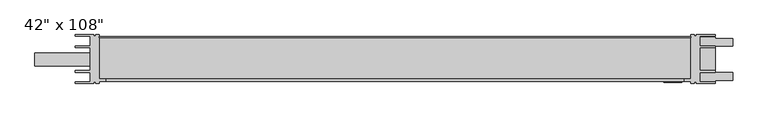
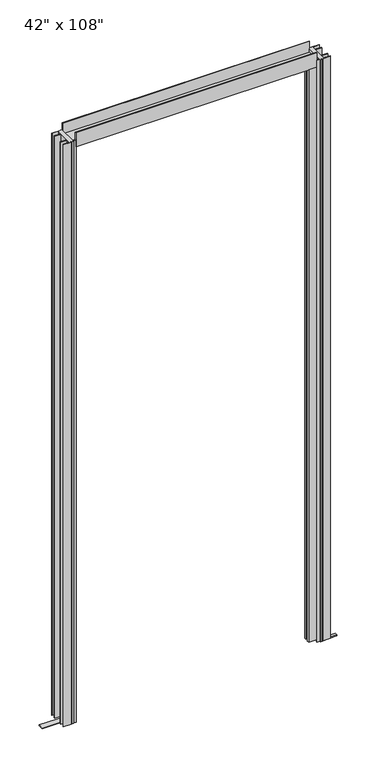
"""IFC4 building model written with IfcOpenShell, lengths in millimetres: furniture geometry."""

from ifc_helpers import new_model, si_unit, point, frame, frame_2d, origin, origin_with_axes, place, context, project, spatial, polyline, circle_curve, trimmed, segment, composite_curve, outline, extrude, source, transform, mapped, element, save


def furniture_7130e7a2(model_context):
    return source(origin(), model_context, "Body", "SweptSolid", [
        extrude(outline(polyline([(481.9042271, 37.1322797), (454.0718088, 37.1322797), (454.0718088, 19.7322791), (481.9042271, 19.7322791), (481.9042271, 16.432279), (454.0718088, 16.432279), (454.0718088, -25.4677223), (481.9042271, -25.4677223), (481.9042271, -28.7677224), (454.0718088, -28.7677224), (454.0718088, -46.167723), (481.9042271, -46.167723), (481.9042271, -48.9677216), (447.8322026, -48.9677216), (447.8322026, -46.4654448), (443.8044449, -46.4654448), (443.8044449, -48.9677216), (437.4542271, -48.9677216), (437.4542271, -45.422332), (424.7542271, -45.422332), (424.7542271, -40.5267189), (437.4542271, -40.5267189), (437.4542271, 39.9322784), (443.8044449, 39.9322784), (443.8044449, 37.4300016), (447.8322026, 37.4300016), (447.8322026, 39.9322784), (481.9042271, 39.9322784), (481.9042271, 37.1322797)])), frame((0.0, 0.0, 3.2003621), z_axis=(0.0, 0.0, 1.0), x_axis=(1.0, 0.0, 0.0)), (0.0, 0.0, 1.0), 2676.4996379),
        extrude(outline(polyline([(-681.7332729, 37.1322797), (-681.7332729, 39.9322784), (-647.6328776, 39.9322784), (-647.6328776, 37.4197133), (-643.6332729, 37.4197133), (-643.6332729, 39.9322784), (-637.2832729, 39.9322784), (-637.2832729, -40.5267189), (-624.5832729, -40.5267189), (-624.5832729, -45.422332), (-637.2832729, -45.422332), (-637.2832729, -48.9677216), (-643.6332729, -48.9677216), (-643.6332729, -46.4551566), (-647.6328776, -46.4551566), (-647.6328776, -48.9677216), (-681.7332729, -48.9677216), (-681.7332729, -46.167723), (-653.9008547, -46.167723), (-653.9008547, -28.7677224), (-681.7332729, -28.7677224), (-681.7332729, -25.4677223), (-653.9008547, -25.4677223), (-653.9008547, 16.432279), (-681.7332729, 16.432279), (-681.7332729, 19.7322791), (-653.9008547, 19.7322791), (-653.9008547, 37.1322797), (-681.7332729, 37.1322797)])), frame((0.0, 0.0, 3.2004), z_axis=(0.0, 0.0, 1.0), x_axis=(1.0, 0.0, 0.0)), (0.0, 0.0, 1.0), 2676.4996),
        extrude(outline(polyline([(-40.0359751, 2660.65), (-40.0359751, 2663.8751907), (34.4141317, 2663.8751907), (34.4141317, 2712.7974571), (36.603763, 2712.7974571), (36.603763, 2660.65), (-40.0359751, 2660.65)])), frame((-637.2832729, 0.0, 0.0), z_axis=(1.0, 0.0, 0.0), x_axis=(0.0, 1.0, 0.0)), (0.0, 0.0, 1.0), 1074.7375),
        extrude(outline(polyline([(424.7542271, -40.5267189), (424.7542271, -45.4859332), (-624.5832729, -45.4859332), (-624.5832729, -40.5267189), (424.7542271, -40.5267189)])), frame((0.0, 0.0, 2647.994021), z_axis=(0.0, 0.0, 1.0), x_axis=(1.0, 0.0, 0.0)), (0.0, 0.0, 1.0), 64.7060965),
        extrude(outline(polyline([(-754.5995229, 7.3885284), (-637.9182729, 7.3885284), (-637.9182729, -16.4239716), (-754.5995229, -16.4239716), (-754.5995229, 7.3885284)])), origin_with_axes(), (0.0, 0.0, 1.0), 3.2003621),
        extrude(outline(composite_curve([segment(polyline([(513.6542271, 33.4322875), (513.6542271, 19.43227), (481.9042271, 19.43227), (481.9042271, -28.4677132), (513.6542271, -28.4677132), (513.6542271, -42.4677308), (481.9042271, -42.4677308), (481.9042271, -44.9677235), (441.4542009, -44.9677235), (441.4542009, -18.8973771), (418.219844, -18.8973771)]), True, "CONTINUOUS"), segment(trimmed(circle_curve(frame_2d((418.219844, -4.5177216)), 14.3796554), [point((418.219844, -18.8973771))], [point((418.219844, 9.8619338))], False, "CARTESIAN"), True, "CONTINUOUS"), segment(polyline([(418.219844, 9.8619338), (441.4542009, 9.8619338), (441.4542009, 35.9322803), (481.9042271, 35.9322803), (481.9042271, 33.4322875), (513.6542271, 33.4322875)]), True, "CONTINUOUS")], self_intersect=False)), origin_with_axes(), (0.0, 0.0, 1.0), 3.2003621),
        extrude(outline(composite_curve([segment(polyline([(434.0592478, -24.6677272), (388.5592271, -24.6677272), (388.5592271, -15.0999373), (408.416844, 4.7576797)]), True, "CONTINUOUS"), segment(trimmed(circle_curve(frame_2d((419.0539752, -5.8794515)), 15.0431751), [point((408.416844, 4.7576797))], [point((434.0592478, -4.8122531))], False, "CARTESIAN"), True, "CONTINUOUS"), segment(polyline([(434.0592478, -4.8122531), (434.0592478, -24.6677272)]), True, "CONTINUOUS")], self_intersect=False)), frame((0.0, 0.0, 15.875), z_axis=(0.0, 0.0, 1.0), x_axis=(1.0, 0.0, 0.0)), (0.0, 0.0, 1.0), 2638.425),
        extrude(outline(polyline([(388.5592271, -46.9533474), (388.5592271, -37.4947432), (421.5397724, -37.4947432), (421.5397724, -46.9533474), (388.5592271, -46.9533474)])), frame((0.0, 0.0, 15.875), z_axis=(0.0, 0.0, 1.0), x_axis=(1.0, 0.0, 0.0)), (0.0, 0.0, 1.0), 2632.075),
    ])


if __name__ == "__main__":
    model = new_model("IFC4")
    model_context = context("Model", 3, world=origin())
    ifc_project = project(units=[si_unit("LENGTHUNIT", "METRE", prefix="MILLI")], contexts=[model_context])
    site = spatial("IfcSite", under=ifc_project)
    building = spatial("IfcBuilding", under=site)
    placement = place(None, origin())
    furniture_shape = furniture_7130e7a2(model_context)
    element("IfcFurniture", 1, ObjectType="42\" x 108\"", at=placement, inside=building, context=model_context, shape_type="MappedRepresentation", body=[
        mapped(furniture_shape, transform((0.0, 0.0, 0.0), x_axis=(1.0, 0.0, 0.0), y_axis=(0.0, 1.0, 0.0), z_axis=(0.0, 0.0, 1.0))),
    ])
    save(model, "model.ifc")
